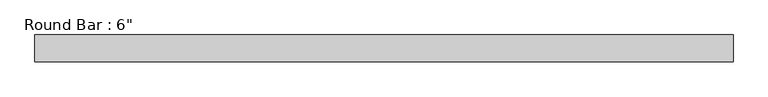
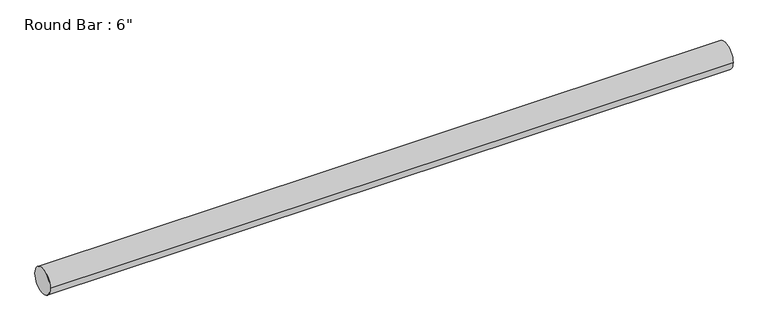
"""IFC4 building model written with IfcOpenShell, lengths in millimetres: beam geometry."""

import ifcopenshell
import ifcopenshell.guid

model = None  # the IFC model being written
_history = None  # IfcOwnerHistory: only IFC2X3 demands one
_inside = {}  # id of a spatial element -> (the spatial element, [elements in it])
_under = {}  # id of a project, library or spatial element -> (it, [spatial elements below it])
_declared = {}  # id of a project -> (the project, [libraries it declares])
_typed = {}  # id of a type object -> (the type object, [elements of that type])
_made_of = {}  # id of a material, layer set ... -> (it, [elements and type objects made of it])


def new_model(schema):
    """Start an empty IFC model of exactly this schema.

    Asked for "IFC4X3", IfcOpenShell would pick the latest addendum, in which some entities
    have other attributes; the version numbers below select the first issue.
    IFC2X3 requires an IfcOwnerHistory on every rooted entity: one is made here for all.
    """
    global model, _history
    if schema == "IFC4X3":
        model = ifcopenshell.file(schema_version=(4, 3, 0, 0))
    else:
        model = ifcopenshell.file(schema=schema)
    _inside.clear()
    _under.clear()
    _declared.clear()
    _typed.clear()
    _made_of.clear()
    _history = None
    if model.schema == "IFC2X3":
        org = make("IfcOrganization", Name="unknown")
        user = make(
            "IfcPersonAndOrganization",
            ThePerson=make("IfcPerson", FamilyName="unknown"),
            TheOrganization=org,
        )
        app = make(
            "IfcApplication",
            ApplicationDeveloper=org,
            Version="unknown",
            ApplicationFullName="unknown",
            ApplicationIdentifier="unknown",
        )
        _history = make(
            "IfcOwnerHistory",
            OwningUser=user,
            OwningApplication=app,
            ChangeAction="ADDED",
            CreationDate=0,
        )
    return model


def make(cls, **values):
    """One entity of the class cls with the attributes given. An attribute that is None is left unset."""
    return model.create_entity(
        cls, **{name: value for name, value in values.items() if value is not None}
    )


def rooted(cls, **values):
    """An entity with a GlobalId (a new one), such as an element, a storey or a relation."""
    return make(cls, GlobalId=ifcopenshell.guid.new(), OwnerHistory=_history, **values)


def si_unit(unit_type, name, prefix=None):
    """IfcSIUnit, for example si_unit("LENGTHUNIT", "METRE", prefix="MILLI")."""
    return make("IfcSIUnit", UnitType=unit_type, Prefix=prefix, Name=name)


def assignment(units):
    """IfcUnitAssignment: the units of a project."""
    return None if units is None else make("IfcUnitAssignment", Units=units)


def point(xyz):
    """IfcCartesianPoint."""
    return None if xyz is None else make("IfcCartesianPoint", Coordinates=xyz)


def direction(xyz):
    """IfcDirection."""
    return None if xyz is None else make("IfcDirection", DirectionRatios=xyz)


def frame(location, z_axis=None, x_axis=None):
    """IfcAxis2Placement3D, a coordinate frame: its origin and axes. An axis left out is left unset."""
    return make(
        "IfcAxis2Placement3D",
        Location=point(location),
        Axis=direction(z_axis),
        RefDirection=direction(x_axis),
    )


def frame_2d(location, x_axis=None):
    """IfcAxis2Placement2D, a coordinate frame in the plane: its origin and x axis."""
    return make(
        "IfcAxis2Placement2D", Location=point(location), RefDirection=direction(x_axis)
    )


def origin():
    """The frame at (0, 0, 0) with its axes left unset."""
    return frame((0.0, 0.0, 0.0))


def origin_2d():
    """The frame at (0, 0) in the plane with its x axis left unset."""
    return frame_2d((0.0, 0.0))


def place(relative_to, where):
    """IfcLocalPlacement: puts the frame where relative to a parent placement (None: the world)."""
    return make(
        "IfcLocalPlacement", PlacementRelTo=relative_to, RelativePlacement=where
    )


def context(
    kind, dimensions, precision=None, world=None, true_north=None, identifier=None
):
    """IfcGeometricRepresentationContext, for example the 3D "Model" context."""
    return make(
        "IfcGeometricRepresentationContext",
        ContextIdentifier=identifier,
        ContextType=kind,
        CoordinateSpaceDimension=dimensions,
        Precision=precision,
        WorldCoordinateSystem=world,
        TrueNorth=true_north,
    )


def project(units=None, contexts=None):
    """IfcProject with its units and contexts."""
    return rooted(
        "IfcProject",
        Name="project",
        RepresentationContexts=contexts,
        UnitsInContext=assignment(units),
    )


def spatial(cls, under=None, at=None, **own):
    """A site, building, storey or space (cls), placed at a placement, below another one or the project."""
    s = rooted(cls, ObjectPlacement=at, **own)
    if under is not None:
        _under.setdefault(under.id(), (under, []))[1].append(s)
    return s


def circle_curve(where, radius):
    """IfcCircle in the frame where."""
    return make("IfcCircle", Position=where, Radius=radius)


def trimmed(basis, trim1, trim2, sense, master):
    """IfcTrimmedCurve: the piece of a basis curve between two trims."""
    return make(
        "IfcTrimmedCurve",
        BasisCurve=basis,
        Trim1=trim1,
        Trim2=trim2,
        SenseAgreement=sense,
        MasterRepresentation=master,
    )


def segment(curve, same_sense, transition):
    """IfcCompositeCurveSegment."""
    return make(
        "IfcCompositeCurveSegment",
        Transition=transition,
        SameSense=same_sense,
        ParentCurve=curve,
    )


def composite_curve(segments, self_intersect=None):
    """IfcCompositeCurve: segments joined end to end."""
    return make("IfcCompositeCurve", Segments=segments, SelfIntersect=self_intersect)


def outline(outer, holes=None, kind="AREA"):
    """IfcArbitraryClosedProfileDef: a profile drawn as a closed curve; with holes, ...WithVoids."""
    if holes is None:
        return make("IfcArbitraryClosedProfileDef", ProfileType=kind, OuterCurve=outer)
    return make(
        "IfcArbitraryProfileDefWithVoids",
        ProfileType=kind,
        OuterCurve=outer,
        InnerCurves=holes,
    )


def extrude(swept, where, along, depth):
    """IfcExtrudedAreaSolid: the profile swept, set in the frame where, extruded along a direction by depth."""
    return make(
        "IfcExtrudedAreaSolid",
        SweptArea=swept,
        Position=where,
        ExtrudedDirection=direction(along),
        Depth=depth,
    )


def shape(context_of_items, identifier, shape_type, items):
    """IfcShapeRepresentation: the items that make up one representation, for example the "Body"."""
    return make(
        "IfcShapeRepresentation",
        ContextOfItems=context_of_items,
        RepresentationIdentifier=identifier,
        RepresentationType=shape_type,
        Items=items,
    )


def source(mapping_origin, context_of_items, identifier, shape_type, items):
    """IfcRepresentationMap: a shape defined once, which mapped items show again and again."""
    return make(
        "IfcRepresentationMap",
        MappingOrigin=mapping_origin,
        MappedRepresentation=shape(context_of_items, identifier, shape_type, items),
    )


def transform(
    local_origin,
    x_axis=None,
    y_axis=None,
    z_axis=None,
    scale=None,
    scale2=None,
    scale3=None,
    uniform=True,
):
    """IfcCartesianTransformationOperator3D, or its non-uniform kind. x_axis, y_axis, z_axis: its Axis1, 2, 3."""
    if uniform:
        return make(
            "IfcCartesianTransformationOperator3D",
            Axis1=direction(x_axis),
            Axis2=direction(y_axis),
            LocalOrigin=point(local_origin),
            Scale=scale,
            Axis3=direction(z_axis),
        )
    return make(
        "IfcCartesianTransformationOperator3DnonUniform",
        Axis1=direction(x_axis),
        Axis2=direction(y_axis),
        LocalOrigin=point(local_origin),
        Scale=scale,
        Axis3=direction(z_axis),
        Scale2=scale2,
        Scale3=scale3,
    )


def mapped(mapping_source, mapping_target):
    """IfcMappedItem: shows the shape of a source again, moved by a transform."""
    return make(
        "IfcMappedItem", MappingSource=mapping_source, MappingTarget=mapping_target
    )


def made_of(thing, what):
    """Note that an element or type object is made of a material, layer set ...; save() writes the relation."""
    if what is not None:
        _made_of.setdefault(what.id(), (what, []))[1].append(thing)
    return thing


def element(
    cls,
    number,
    at=None,
    inside=None,
    cuts=None,
    type_object=None,
    material=None,
    context=None,
    identifier="Body",
    shape_type=None,
    held_by="IfcProductDefinitionShape",
    body=None,
    shapes=None,
    **own,
):
    """One element of the class cls, such as IfcWall. Its Tag is "e" and its number.

    at: its placement. inside: the storey or other place that contains it. cuts: it is an
    opening in that element (IfcRelVoidsElement). A single representation is given by context,
    identifier, shape_type and body (its items); several are given by shapes. held_by: the class
    of the entity that holds the representations. save() writes the other relations.
    """
    e = rooted(cls, Tag="e%d" % number, ObjectPlacement=at, **own)
    if body is not None:
        shapes = [shape(context, identifier, shape_type, body)]
    if shapes is not None:
        e.Representation = make(held_by, Representations=shapes)
    if inside is not None:
        _inside.setdefault(inside.id(), (inside, []))[1].append(e)
    if cuts is not None:
        rooted(
            "IfcRelVoidsElement", RelatingBuildingElement=cuts, RelatedOpeningElement=e
        )
    if type_object is not None:
        _typed.setdefault(type_object.id(), (type_object, []))[1].append(e)
    return made_of(e, material)


def aggregate(whole, parts):
    """IfcRelAggregates: a whole, such as a stair, and the parts it consists of."""
    return rooted("IfcRelAggregates", RelatingObject=whole, RelatedObjects=parts)


def save(model, path):
    """Write the relations noted so far, then the file.

    IfcRelAggregates (storeys below a building ...), IfcRelContainedInSpatialStructure (elements
    in a storey), IfcRelDefinesByType, IfcRelAssociatesMaterial and IfcRelDeclares: one each for
    every whole, place, type object, material and project.
    """
    for whole, parts in _under.values():
        aggregate(whole, parts)
    for where, things in _inside.values():
        rooted(
            "IfcRelContainedInSpatialStructure",
            RelatedElements=things,
            RelatingStructure=where,
        )
    for kind, things in _typed.values():
        rooted("IfcRelDefinesByType", RelatedObjects=things, RelatingType=kind)
    for what, things in _made_of.values():
        rooted("IfcRelAssociatesMaterial", RelatedObjects=things, RelatingMaterial=what)
    for by, libraries in _declared.values():
        rooted("IfcRelDeclares", RelatingContext=by, RelatedDefinitions=libraries)
    model.write(path)


def beam_e9e68593(model_context):
    return source(origin(), model_context, "Body", "SweptSolid", [
        extrude(outline(composite_curve([segment(trimmed(circle_curve(origin_2d(), 76.2), [point((76.2, 0.0))], [point((-76.2, 0.0))], False, "CARTESIAN"), True, "CONTINUOUS"), segment(trimmed(circle_curve(origin_2d(), 76.2), [point((-76.2, 0.0))], [point((76.2, 0.0))], False, "CARTESIAN"), True, "CONTINUOUS")], self_intersect=False)), frame((-1979.8176415, 0.0, 0.0), z_axis=(1.0, 0.0, 0.0), x_axis=(0.0, 1.0, 0.0)), (0.0, 0.0, 1.0), 3934.2969526),
    ])


if __name__ == "__main__":
    model = new_model("IFC4")
    model_context = context("Model", 3, world=origin())
    ifc_project = project(units=[si_unit("LENGTHUNIT", "METRE", prefix="MILLI")], contexts=[model_context])
    site = spatial("IfcSite", under=ifc_project)
    building = spatial("IfcBuilding", under=site)
    placement = place(None, origin())
    beam_shape = beam_e9e68593(model_context)
    element("IfcBeam", 1, ObjectType="Round Bar : 6\"", at=placement, inside=building, context=model_context, shape_type="MappedRepresentation", body=[
        mapped(beam_shape, transform((0.0, 0.0, 0.0), x_axis=(1.0, 0.0, 0.0), y_axis=(0.0, 1.0, 0.0), z_axis=(0.0, 0.0, 1.0))),
    ])
    save(model, "model.ifc")
